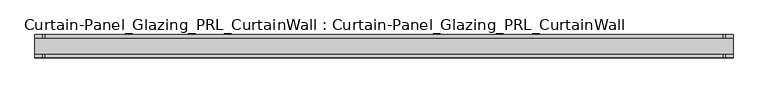
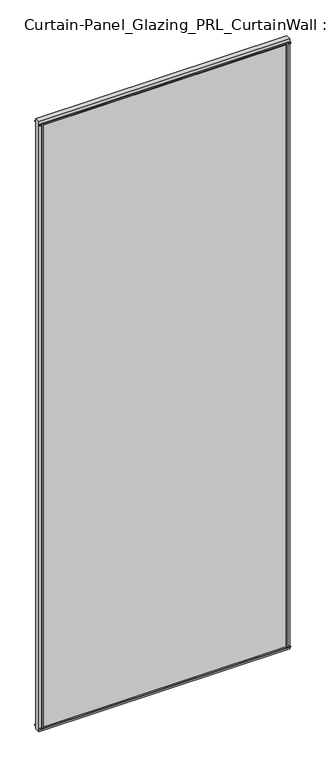
"""IFC4 building model written with IfcOpenShell, lengths in millimetres: plate geometry, Curtain-Panel_Glazing_PRL_CurtainWall : Curtain-Panel_Glazing_PRL_CurtainWall."""

from ifc_helpers import new_model, si_unit, frame, origin, origin_with_axes, place, context, project, spatial, polyline, outline, extrude, source, transform, mapped, element, save


def curtain_panel_glazing_prl_curtainwall_curtain_panel_glazing_894943ac(model_context):
    return source(origin(), model_context, "Body", "SweptSolid", [
        extrude(outline(polyline([(503.1652745, 19.05), (503.1652745, 12.7), (499.1965245, 12.7), (499.1965245, 19.05), (503.1652745, 19.05)])), frame((0.0, 0.0, 12.7), z_axis=(0.0, 0.0, 1.0), x_axis=(1.0, 0.0, 0.0)), (0.0, 0.0, 1.0), 2946.4),
        extrude(outline(polyline([(503.1652745, -19.05), (499.1965245, -19.05), (499.1965245, -12.7), (503.1652745, -12.7), (503.1652745, -19.05)])), frame((0.0, 0.0, 12.7), z_axis=(0.0, 0.0, 1.0), x_axis=(1.0, 0.0, 0.0)), (0.0, 0.0, 1.0), 2946.4),
        extrude(outline(polyline([(-626.9902745, 19.05), (-623.0215245, 19.05), (-623.0215245, 12.7), (-626.9902745, 12.7), (-626.9902745, 19.05)])), frame((0.0, 0.0, 12.7), z_axis=(0.0, 0.0, 1.0), x_axis=(1.0, 0.0, 0.0)), (0.0, 0.0, 1.0), 2946.4),
        extrude(outline(polyline([(-626.9902745, -19.05), (-626.9902745, -12.7), (-623.0215245, -12.7), (-623.0215245, -19.05), (-626.9902745, -19.05)])), frame((0.0, 0.0, 12.7), z_axis=(0.0, 0.0, 1.0), x_axis=(1.0, 0.0, 0.0)), (0.0, 0.0, 1.0), 2946.4),
        extrude(outline(polyline([(515.8652745, -12.7), (-639.6902745, -12.7), (-639.6902745, 12.7), (515.8652745, 12.7), (515.8652745, -12.7)])), origin_with_axes(), (0.0, 0.0, 1.0), 2971.8),
        extrude(outline(polyline([(-639.6902745, 19.05), (515.8652745, 19.05), (515.8652745, 12.7), (-639.6902745, 12.7), (-639.6902745, 19.05)])), frame((0.0, 0.0, 2955.13125), z_axis=(0.0, 0.0, 1.0), x_axis=(1.0, 0.0, 0.0)), (0.0, 0.0, 1.0), 3.96875),
        extrude(outline(polyline([(-639.6902745, -19.05), (-639.6902745, -12.7), (515.8652745, -12.7), (515.8652745, -19.05), (-639.6902745, -19.05)])), frame((0.0, 0.0, 2955.13125), z_axis=(0.0, 0.0, 1.0), x_axis=(1.0, 0.0, 0.0)), (0.0, 0.0, 1.0), 3.96875),
        extrude(outline(polyline([(-639.6902745, 19.05), (515.8652745, 19.05), (515.8652745, 12.7), (-639.6902745, 12.7), (-639.6902745, 19.05)])), frame((0.0, 0.0, 12.7), z_axis=(0.0, 0.0, 1.0), x_axis=(1.0, 0.0, 0.0)), (0.0, 0.0, 1.0), 3.96875),
        extrude(outline(polyline([(-639.6902745, -19.05), (-639.6902745, -12.7), (515.8652745, -12.7), (515.8652745, -19.05), (-639.6902745, -19.05)])), frame((0.0, 0.0, 12.7), z_axis=(0.0, 0.0, 1.0), x_axis=(1.0, 0.0, 0.0)), (0.0, 0.0, 1.0), 3.96875),
    ])


if __name__ == "__main__":
    model = new_model("IFC4")
    model_context = context("Model", 3, world=origin())
    ifc_project = project(units=[si_unit("LENGTHUNIT", "METRE", prefix="MILLI")], contexts=[model_context])
    site = spatial("IfcSite", under=ifc_project)
    building = spatial("IfcBuilding", under=site)
    placement = place(None, origin())
    curtain_panel_glazing_prl_curtainwall_curtain_panel_glazing_shape = curtain_panel_glazing_prl_curtainwall_curtain_panel_glazing_894943ac(model_context)
    element("IfcPlate", 1, ObjectType="Curtain-Panel_Glazing_PRL_CurtainWall : Curtain-Panel_Glazing_PRL_CurtainWall", at=placement, inside=building, context=model_context, shape_type="MappedRepresentation", body=[
        mapped(curtain_panel_glazing_prl_curtainwall_curtain_panel_glazing_shape, transform((0.0, 0.0, 0.0), x_axis=(1.0, 0.0, 0.0), y_axis=(0.0, 1.0, 0.0), z_axis=(0.0, 0.0, 1.0))),
    ])
    save(model, "model.ifc")
